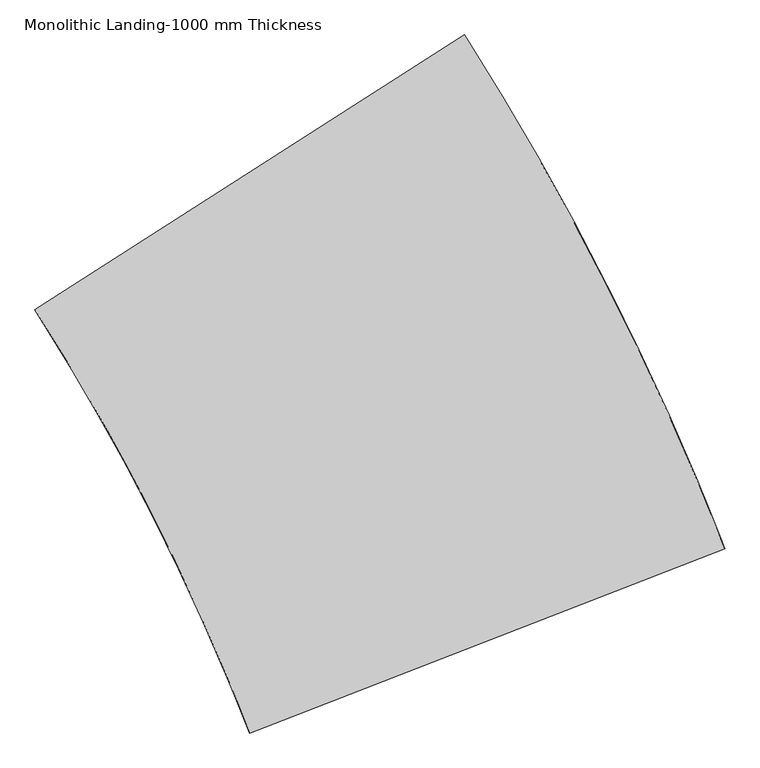
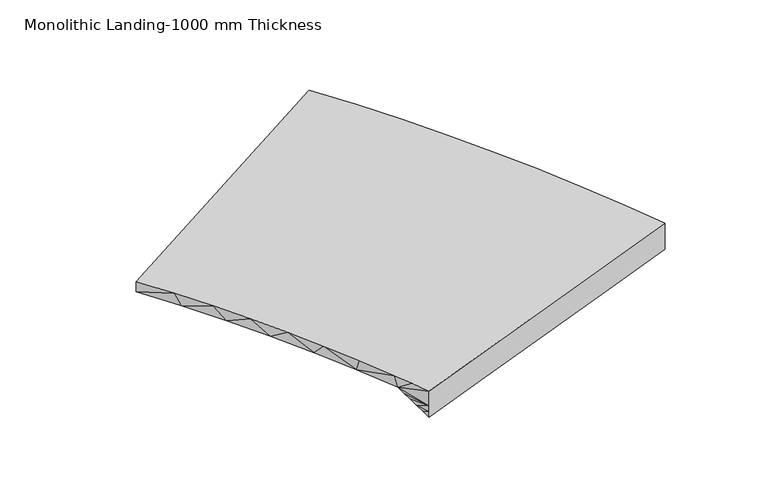
"""IFC4 building model written with IfcOpenShell, lengths in millimetres: stair geometry, Monolithic Landing-1000 mm Thickness."""

from ifc_helpers import new_model, si_unit, origin, place, context, project, spatial, faceted_brep, source, transform, mapped, element, save


def monolithic_landing_1000_mm_thickness_cc78b141(model_context):
    return source(origin(), model_context, "Body", "Brep", [
        faceted_brep([(848.84719, 964.7200256, 1451.4285714), (995.1175026, 647.7639934, 1451.4285714), (1133.4376982, 327.2584006, 1451.4285714), (1199.9478542, 164.8456487, 1451.4285714), (1264.4225892, 1.5952722, 1451.4285714), (4061.5304049, 1086.1172254, 1451.4285714), (3982.8586582, 1284.1909898, 1451.4285714), (3901.7664125, 1481.2689584, 1451.4285714), (3733.3226166, 1870.1963369, 1451.4285714), (3555.4307253, 2254.8940015, 1451.4285714), (3368.1968539, 2635.1324736, 1451.4285714), (3171.7326908, 3010.6849344, 1451.4285714), (2966.15543, 3381.3273607, 1451.4285714), (2751.5877018, 3746.8386578, 1451.4285714), (2528.1574996, 4107.0007924, 1451.4285714), (1.5952722, 2489.4460603, 1451.4285714), (186.157214, 2193.1421521, 1451.4285714), (363.2699251, 1892.3310812, 1451.4285714), (532.8253973, 1587.1966084, 1451.4285714), (694.717949, 1277.9289807, 1451.4285714), (1264.4225892, 1.5952722, 1307.1940608), (1264.4225892, 1.5952722, 1252.11754), (1264.4225892, 1.5952722, 1197.0410191), (1886.0021038, 242.6001507, 1197.0410191), (3129.161133, 724.6099077, 1197.0410191), (3439.9508903, 845.1123469, 1197.0410191), (4061.5304049, 1086.1172254, 1197.0410191), (4061.5304049, 1086.1172254, 1252.1175469), (4061.5304049, 1086.1172254, 1307.1940747), (2528.1574996, 4107.0007924, 1351.4285714), (1.5952722, 2489.4460603, 1351.4285714), (3747.7365724, 1837.9111082, 1351.4285714), (3917.6513377, 1443.200712, 1351.4285714), (3301.8334025, 1188.2419364, 1351.4285714), (2993.924435, 1060.7625486, 1351.4285714), (1762.2885647, 550.8449975, 1351.4285714), (1146.4706295, 295.8862219, 1351.4285714), (982.9107459, 675.0280245, 1351.4285714), (808.2375932, 1049.1799077, 1351.4285714), (622.6032076, 1418.0162086, 1351.4285714), (426.1691658, 1781.2158909, 1351.4285714), (219.1064447, 2138.4628244, 1351.4285714), (2754.6319092, 3741.7930896, 1351.4285714), (2971.9938461, 3371.0895521, 1351.4285714), (3180.1100201, 2995.1175019, 1351.4285714), (3378.8528104, 2614.1074921, 1351.4285714), (3568.1003446, 2228.2931647, 1351.4285714), (2598.6033396, 707.1334272, 1274.2334563), (1218.042055, 119.6316983, 1258.796048), (1241.3660186, 60.6660188, 1227.9185343), (4014.4512703, 1205.4988915, 1248.5029153), (4038.1011786, 1145.8516102, 1222.7718835), (1194.4511772, 178.4911004, 1289.6735603), (1170.5938694, 237.2430167, 1320.5510715), (3966.490703, 1324.5288945, 1299.9654553), (3942.1806988, 1383.9099948, 1325.6969506), (3990.5810032, 1265.0582567, 1274.2341081)], [[[0, 1, 2, 3, 4, 5, 6, 7, 8, 9, 10, 11, 12, 13, 14, 15, 16, 17, 18, 19]], [[4, 20, 21, 22, 23, 24, 25, 26, 27, 28, 5]], [[15, 14, 29, 30]], [[31, 32, 33, 34, 35, 36, 37, 38, 39, 40, 41, 30, 29, 42, 43, 44, 45, 46]], [[24, 23, 47]], [[47, 23, 48]], [[23, 22, 49]], [[23, 49, 48]], [[24, 50, 25]], [[50, 24, 47]], [[25, 51, 26]], [[51, 25, 50]], [[47, 48, 52]], [[47, 35, 34]], [[35, 52, 53]], [[36, 35, 53]], [[54, 47, 34]], [[54, 33, 55]], [[54, 56, 47]], [[56, 50, 47]], [[34, 33, 54]], [[33, 32, 55]], [[35, 47, 52]], [[27, 26, 51]], [[27, 56, 28]], [[54, 55, 28]], [[50, 27, 51]], [[54, 28, 56]], [[55, 32, 28]], [[5, 32, 6]], [[5, 28, 32]], [[6, 32, 7]], [[7, 31, 8]], [[31, 7, 32]], [[8, 31, 46]], [[27, 50, 56]], [[9, 46, 45]], [[44, 10, 45]], [[12, 43, 42]], [[44, 43, 11]], [[13, 42, 29]], [[10, 9, 45]], [[11, 10, 44]], [[13, 12, 42]], [[14, 13, 29]], [[11, 43, 12]], [[46, 9, 8]], [[30, 16, 15]], [[49, 22, 21]], [[39, 19, 18]], [[40, 18, 17]], [[41, 17, 16]], [[41, 40, 17]], [[16, 30, 41]], [[39, 38, 19]], [[18, 40, 39]], [[37, 0, 38]], [[38, 0, 19]], [[2, 1, 37]], [[0, 37, 1]], [[3, 2, 36]], [[36, 2, 37]], [[4, 3, 36]], [[49, 21, 48]], [[20, 4, 36]], [[53, 20, 36]], [[48, 20, 52]], [[53, 52, 20]], [[48, 21, 20]]]),
    ])


if __name__ == "__main__":
    model = new_model("IFC4")
    model_context = context("Model", 3, world=origin())
    ifc_project = project(units=[si_unit("LENGTHUNIT", "METRE", prefix="MILLI")], contexts=[model_context])
    site = spatial("IfcSite", under=ifc_project)
    building = spatial("IfcBuilding", under=site)
    placement = place(None, origin())
    monolithic_landing_1000_mm_thickness_shape = monolithic_landing_1000_mm_thickness_cc78b141(model_context)
    element("IfcStair", 1, ObjectType="Monolithic Landing-1000 mm Thickness", at=placement, inside=building, context=model_context, shape_type="MappedRepresentation", body=[
        mapped(monolithic_landing_1000_mm_thickness_shape, transform((0.0, 0.0, 0.0), x_axis=(1.0, 0.0, 0.0), y_axis=(0.0, 1.0, 0.0), z_axis=(0.0, 0.0, 1.0))),
    ])
    save(model, "model.ifc")
